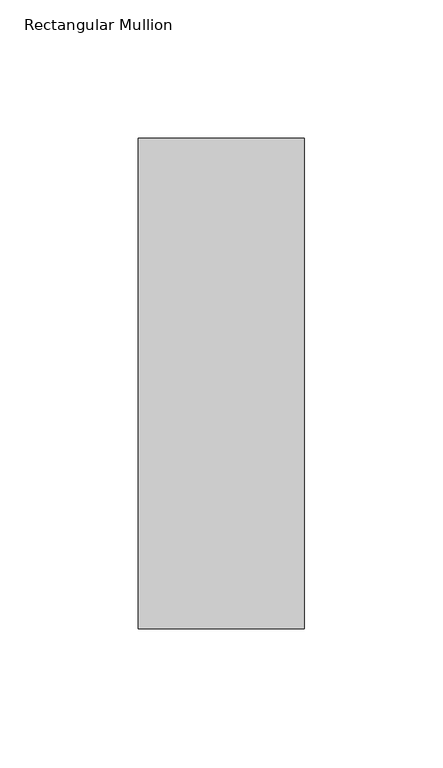
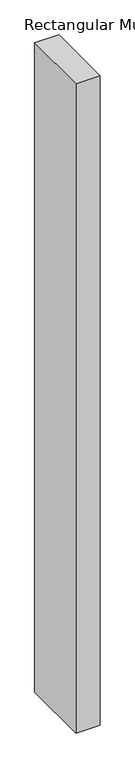
"""IFC4 building model written with IfcOpenShell, lengths in millimetres: member geometry, Rectangular Mullion."""

from ifc_helpers import new_model, si_unit, frame, origin, place, context, project, spatial, polyline, outline, extrude, source, transform, mapped, element, save


def rectangular_mullion_cef1f33b(model_context):
    return source(origin(), model_context, "Body", "SweptSolid", [
        extrude(outline(polyline([(30.0, 124.19375), (30.0, -53.19375), (-30.0, -53.19375), (-30.0, 124.19375), (30.0, 124.19375)])), frame((0.0, 0.0, -1708.8912252), z_axis=(0.0, 0.0, 1.0), x_axis=(1.0, 0.0, 0.0)), (0.0, 0.0, 1.0), 1708.8912252),
    ])


if __name__ == "__main__":
    model = new_model("IFC4")
    model_context = context("Model", 3, world=origin())
    ifc_project = project(units=[si_unit("LENGTHUNIT", "METRE", prefix="MILLI")], contexts=[model_context])
    site = spatial("IfcSite", under=ifc_project)
    building = spatial("IfcBuilding", under=site)
    placement = place(None, origin())
    rectangular_mullion_shape = rectangular_mullion_cef1f33b(model_context)
    element("IfcMember", 1, ObjectType="Rectangular Mullion", at=placement, inside=building, context=model_context, shape_type="MappedRepresentation", body=[
        mapped(rectangular_mullion_shape, transform((0.0, 0.0, 0.0), x_axis=(1.0, 0.0, 0.0), y_axis=(0.0, 1.0, 0.0), z_axis=(0.0, 0.0, 1.0))),
    ])
    save(model, "model.ifc")
